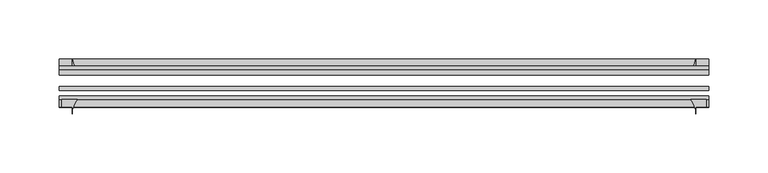
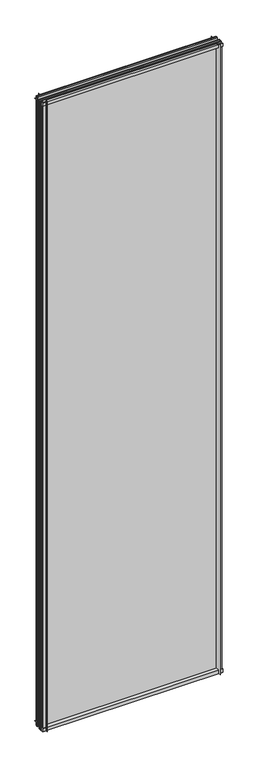
"""IFC4 building model written with IfcOpenShell, lengths in millimetres: plate geometry."""

from ifc_helpers import new_model, si_unit, point, frame, frame_2d, origin, place, context, project, spatial, polyline, circle_curve, trimmed, segment, composite_curve, outline, extrude, source, transform, mapped, element, save


def plate_c9d2d074(model_context):
    return source(origin(), model_context, "Body", "SweptSolid", [
        extrude(outline(composite_curve([segment(polyline([(-42.891075, -11.1125), (-42.891075, 3.8539528)]), True, "CONTINUOUS"), segment(trimmed(circle_curve(frame_2d((-26.637892, 29.5913262)), 30.4397495), [point((-42.891075, 3.8539528))], [point((-33.7745413, 0.0))], True, "CARTESIAN"), True, "CONTINUOUS"), segment(polyline([(-33.7745413, 0.0), (-39.690675, 0.0), (-39.690675, -11.1125), (-42.891075, -11.1125)]), True, "CONTINUOUS")], self_intersect=False)), frame((-302.372063, 0.0, 0.0), z_axis=(1.0, 0.0, 0.0), x_axis=(0.0, 1.0, 0.0)), (0.0, 0.0, 1.0), 550.7691259),
        extrude(outline(composite_curve([segment(trimmed(circle_curve(frame_2d((-80.4922797, 17.8701603)), 18.6769817), [point((-74.641075, 0.1333891))], [point((-68.291075, 3.72943))], True, "CARTESIAN"), True, "CONTINUOUS"), segment(polyline([(-68.291075, 3.72943), (-68.291075, -10.3251), (-74.641075, -10.3251), (-74.641075, 0.1333891)]), True, "CONTINUOUS")], self_intersect=False)), frame((-302.372063, 0.0, 0.0), z_axis=(1.0, 0.0, 0.0), x_axis=(0.0, 1.0, 0.0)), (0.0, 0.0, 1.0), 550.7691259),
        extrude(outline(composite_curve([segment(polyline([(-42.891075, 2005.9083472), (-42.891075, 2020.8875), (-39.690675, 2020.8875), (-39.690675, 2009.775), (-33.721675, 2009.775)]), True, "CONTINUOUS"), segment(trimmed(circle_curve(frame_2d((-26.637892, 1980.1709738)), 30.4397495), [point((-33.721675, 2009.775))], [point((-42.891075, 2005.9083472))], True, "CARTESIAN"), True, "CONTINUOUS")], self_intersect=False)), frame((-302.372063, 0.0, 0.0), z_axis=(1.0, 0.0, 0.0), x_axis=(0.0, 1.0, 0.0)), (0.0, 0.0, 1.0), 550.7691259),
        extrude(outline(composite_curve([segment(polyline([(-68.291075, 2018.5126), (-68.291075, 2005.23912)]), True, "CONTINUOUS"), segment(trimmed(circle_curve(frame_2d((-80.4922797, 1991.0983897)), 18.6769817), [point((-68.291075, 2005.23912))], [point((-74.641075, 2008.8351609))], True, "CARTESIAN"), True, "CONTINUOUS"), segment(polyline([(-74.641075, 2008.8351609), (-74.641075, 2018.5126), (-68.291075, 2018.5126)]), True, "CONTINUOUS")], self_intersect=False)), frame((-302.372063, 0.0, 0.0), z_axis=(1.0, 0.0, 0.0), x_axis=(0.0, 1.0, 0.0)), (0.0, 0.0, 1.0), 550.7691259),
        extrude(outline(composite_curve([segment(polyline([(232.7486829, -68.291075), (246.022163, -68.291075), (246.022163, -74.641075), (237.284563, -74.641075), (237.284563, -80.3744844)]), True, "CONTINUOUS"), segment(trimmed(circle_curve(frame_2d((218.6079527, -80.4922797)), 18.6769817), [point((237.284563, -80.3744844))], [point((232.7486829, -68.291075))], True, "CARTESIAN"), True, "CONTINUOUS")], self_intersect=False)), frame((0.0, 0.0, -11.1125), z_axis=(0.0, 0.0, 1.0), x_axis=(1.0, 0.0, 0.0)), (0.0, 0.0, 1.0), 2032.0),
        extrude(outline(composite_curve([segment(trimmed(circle_curve(frame_2d((207.6805367, -26.637892)), 30.4397495), [point((233.4179102, -42.891075))], [point((237.284563, -33.721675))], True, "CARTESIAN"), True, "CONTINUOUS"), segment(polyline([(237.284563, -33.721675), (237.284563, -39.690675), (248.397063, -39.690675), (248.397063, -42.891075), (233.4179102, -42.891075)]), True, "CONTINUOUS")], self_intersect=False)), frame((0.0, 0.0, -11.1125), z_axis=(0.0, 0.0, 1.0), x_axis=(1.0, 0.0, 0.0)), (0.0, 0.0, 1.0), 2032.0),
        extrude(outline(composite_curve([segment(trimmed(circle_curve(frame_2d((-272.5829527, -80.4922797)), 18.6769817), [point((-286.7236829, -68.291075))], [point((-291.259563, -80.3744844))], True, "CARTESIAN"), True, "CONTINUOUS"), segment(polyline([(-291.259563, -80.3744844), (-291.259563, -74.641075), (-299.997163, -74.641075), (-299.997163, -68.291075), (-286.7236829, -68.291075)]), True, "CONTINUOUS")], self_intersect=False)), frame((0.0, 0.0, -11.1125), z_axis=(0.0, 0.0, 1.0), x_axis=(1.0, 0.0, 0.0)), (0.0, 0.0, 1.0), 2032.0),
        extrude(outline(composite_curve([segment(polyline([(-287.3929102, -42.891075), (-302.372063, -42.891075), (-302.372063, -39.690675), (-291.259563, -39.690675), (-291.259563, -33.721675)]), True, "CONTINUOUS"), segment(trimmed(circle_curve(frame_2d((-261.6555367, -26.637892)), 30.4397495), [point((-291.259563, -33.721675))], [point((-287.3929102, -42.891075))], True, "CARTESIAN"), True, "CONTINUOUS")], self_intersect=False)), frame((0.0, 0.0, -11.1125), z_axis=(0.0, 0.0, 1.0), x_axis=(1.0, 0.0, 0.0)), (0.0, 0.0, 1.0), 2032.0),
        extrude(outline(polyline([(-302.372063, -42.891075), (248.397063, -42.891075), (248.397063, -47.653575), (-302.372063, -47.653575), (-302.372063, -42.891075)])), frame((0.0, 0.0, -11.1125), z_axis=(0.0, 0.0, 1.0), x_axis=(1.0, 0.0, 0.0)), (0.0, 0.0, 1.0), 2032.0),
        extrude(outline(polyline([(248.397063, -57.369075), (248.397063, -60.544075), (-302.372063, -60.544075), (-302.372063, -57.369075), (248.397063, -57.369075)])), frame((0.0, 0.0, -11.1125), z_axis=(0.0, 0.0, 1.0), x_axis=(1.0, 0.0, 0.0)), (0.0, 0.0, 1.0), 2032.0),
        extrude(outline(polyline([(-302.372063, -65.116075), (248.397063, -65.116075), (248.397063, -68.291075), (-302.372063, -68.291075), (-302.372063, -65.116075)])), frame((0.0, 0.0, -11.1125), z_axis=(0.0, 0.0, 1.0), x_axis=(1.0, 0.0, 0.0)), (0.0, 0.0, 1.0), 2032.0),
    ])


if __name__ == "__main__":
    model = new_model("IFC4")
    model_context = context("Model", 3, world=origin())
    ifc_project = project(units=[si_unit("LENGTHUNIT", "METRE", prefix="MILLI")], contexts=[model_context])
    site = spatial("IfcSite", under=ifc_project)
    building = spatial("IfcBuilding", under=site)
    placement = place(None, origin())
    plate_shape = plate_c9d2d074(model_context)
    element("IfcPlate", 1, at=placement, inside=building, context=model_context, shape_type="MappedRepresentation", body=[
        mapped(plate_shape, transform((0.0, 0.0, 0.0), x_axis=(1.0, 0.0, 0.0), y_axis=(0.0, 1.0, 0.0), z_axis=(0.0, 0.0, 1.0))),
    ])
    save(model, "model.ifc")
